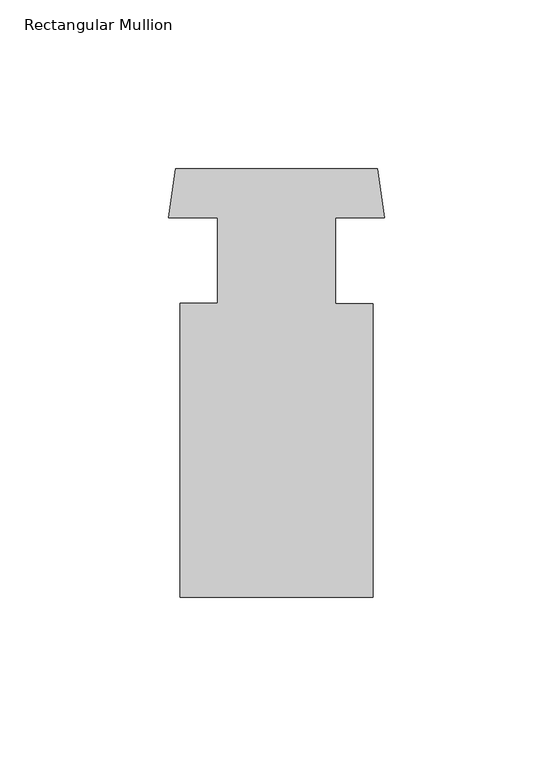
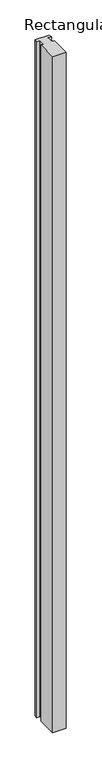
"""IFC4 building model written with IfcOpenShell, lengths in millimetres: member geometry, Rectangular Mullion."""

from ifc_helpers import new_model, si_unit, frame, origin, place, context, project, spatial, polyline, outline, extrude, source, transform, mapped, element, save


def rectangular_mullion_4c88ee26(model_context):
    return source(origin(), model_context, "Body", "SweptSolid", [
        extrude(outline(polyline([(-49.4335, 50.6513214), (-63.942, 50.6513214), (-61.8863823, 65.1548464), (-2.0556177, 65.1548464), (0.0, 50.6513214), (-14.5085, 50.6513214), (-14.5085, 25.1932977), (-3.396, 25.1932977), (-3.396, -61.8451536), (-60.546, -61.8451536), (-60.546, 25.2513214), (-49.4335, 25.2513214), (-49.4335, 50.6513214)])), frame((0.0, 0.0, -3048.0), z_axis=(0.0, 0.0, 1.0), x_axis=(1.0, 0.0, 0.0)), (0.0, 0.0, 1.0), 3048.0),
    ])


if __name__ == "__main__":
    model = new_model("IFC4")
    model_context = context("Model", 3, world=origin())
    ifc_project = project(units=[si_unit("LENGTHUNIT", "METRE", prefix="MILLI")], contexts=[model_context])
    site = spatial("IfcSite", under=ifc_project)
    building = spatial("IfcBuilding", under=site)
    placement = place(None, origin())
    rectangular_mullion_shape = rectangular_mullion_4c88ee26(model_context)
    element("IfcMember", 1, ObjectType="Rectangular Mullion", at=placement, inside=building, context=model_context, shape_type="MappedRepresentation", body=[
        mapped(rectangular_mullion_shape, transform((0.0, 0.0, 0.0), x_axis=(1.0, 0.0, 0.0), y_axis=(0.0, 1.0, 0.0), z_axis=(0.0, 0.0, 1.0))),
    ])
    save(model, "model.ifc")
